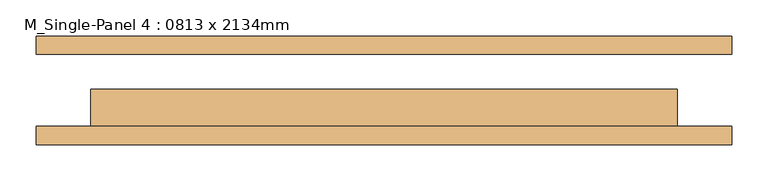
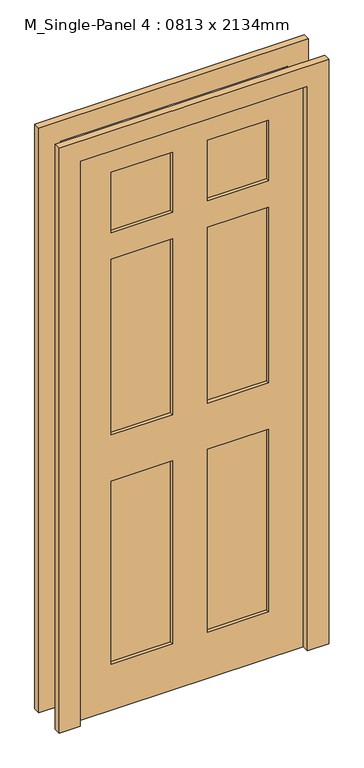
"""IFC4 building model written with IfcOpenShell, lengths in millimetres: door geometry, M_Single-Panel 4 : 0813 x 2134mm."""

from ifc_helpers import new_model, si_unit, frame, origin, place, context, project, spatial, polyline, outline, extrude, source, transform, mapped, element, save


def m_single_panel_4_0813_x_2134mm_3a1f8fd8(model_context):
    return source(origin(), model_context, "Body", "SweptSolid", [
        extrude(outline(polyline([(0.0, -482.5), (0.0, -406.5), (2134.0, -406.5), (2134.0, 406.5), (0.0, 406.5), (0.0, 482.5), (2210.0, 482.5), (2210.0, -482.5), (0.0, -482.5)])), frame((0.0, 50.0, 0.0), z_axis=(0.0, 1.0, 0.0), x_axis=(0.0, 0.0, 1.0)), (0.0, 0.0, 1.0), 25.0),
        extrude(outline(polyline([(0.0, 482.5), (2210.0, 482.5), (2210.0, -482.5), (0.0, -482.5), (0.0, -406.5), (2134.0, -406.5), (2134.0, 406.5), (0.0, 406.5), (0.0, 482.5)])), frame((0.0, -75.4, 0.0), z_axis=(0.0, 1.0, 0.0), x_axis=(0.0, 0.0, 1.0)), (0.0, 0.0, 1.0), 25.0),
        extrude(outline(polyline([(-62.5, -11.7), (-62.5, -37.3), (-281.5, -37.3), (-281.5, -11.7), (-62.5, -11.7)])), frame((0.0, 0.0, 1805.4), z_axis=(0.0, 0.0, 1.0), x_axis=(1.0, 0.0, 0.0)), (0.0, 0.0, 1.0), 228.6),
        extrude(outline(polyline([(281.5, -11.7), (281.5, -37.3), (62.5, -37.3), (62.5, -11.7), (281.5, -11.7)])), frame((0.0, 0.0, 1805.4), z_axis=(0.0, 0.0, 1.0), x_axis=(1.0, 0.0, 0.0)), (0.0, 0.0, 1.0), 228.6),
        extrude(outline(polyline([(-62.5, -11.7), (-62.5, -37.3), (-281.5, -37.3), (-281.5, -11.7), (-62.5, -11.7)])), frame((0.0, 0.0, 1041.4), z_axis=(0.0, 0.0, 1.0), x_axis=(1.0, 0.0, 0.0)), (0.0, 0.0, 1.0), 664.0),
        extrude(outline(polyline([(281.5, -11.7), (281.5, -37.3), (62.5, -37.3), (62.5, -11.7), (281.5, -11.7)])), frame((0.0, 0.0, 1041.4), z_axis=(0.0, 0.0, 1.0), x_axis=(1.0, 0.0, 0.0)), (0.0, 0.0, 1.0), 664.0),
        extrude(outline(polyline([(-62.5, -11.7), (-62.5, -37.3), (-281.5, -37.3), (-281.5, -11.7), (-62.5, -11.7)])), frame((0.0, 0.0, 175.0), z_axis=(0.0, 0.0, 1.0), x_axis=(1.0, 0.0, 0.0)), (0.0, 0.0, 1.0), 691.4),
        extrude(outline(polyline([(281.5, -11.7), (281.5, -37.3), (62.5, -37.3), (62.5, -11.7), (281.5, -11.7)])), frame((0.0, 0.0, 175.0), z_axis=(0.0, 0.0, 1.0), x_axis=(1.0, 0.0, 0.0)), (0.0, 0.0, 1.0), 691.4),
        extrude(outline(polyline([(2134.0, 406.5), (2134.0, -406.5), (0.0, -406.5), (0.0, 406.5), (2134.0, 406.5)]), holes=[polyline([(2034.0, -62.5), (1805.4, -62.5), (1805.4, -281.5), (2034.0, -281.5), (2034.0, -62.5)]), polyline([(2034.0, 281.5), (1805.4, 281.5), (1805.4, 62.5), (2034.0, 62.5), (2034.0, 281.5)]), polyline([(1705.4, -62.5), (1041.4, -62.5), (1041.4, -281.5), (1705.4, -281.5), (1705.4, -62.5)]), polyline([(1705.4, 281.5), (1041.4, 281.5), (1041.4, 62.5), (1705.4, 62.5), (1705.4, 281.5)]), polyline([(866.4, -62.5), (175.0, -62.5), (175.0, -281.5), (866.4, -281.5), (866.4, -62.5)]), polyline([(866.4, 281.5), (175.0, 281.5), (175.0, 62.5), (866.4, 62.5), (866.4, 281.5)])]), frame((0.0, -50.0, 0.0), z_axis=(0.0, 1.0, 0.0), x_axis=(0.0, 0.0, 1.0)), (0.0, 0.0, 1.0), 51.0),
    ])


if __name__ == "__main__":
    model = new_model("IFC4")
    model_context = context("Model", 3, world=origin())
    ifc_project = project(units=[si_unit("LENGTHUNIT", "METRE", prefix="MILLI")], contexts=[model_context])
    site = spatial("IfcSite", under=ifc_project)
    building = spatial("IfcBuilding", under=site)
    placement = place(None, origin())
    m_single_panel_4_0813_x_2134mm_shape = m_single_panel_4_0813_x_2134mm_3a1f8fd8(model_context)
    element("IfcDoor", 1, ObjectType="M_Single-Panel 4 : 0813 x 2134mm", at=placement, inside=building, context=model_context, shape_type="MappedRepresentation", body=[
        mapped(m_single_panel_4_0813_x_2134mm_shape, transform((0.0, 0.0, 0.0), x_axis=(1.0, 0.0, 0.0), y_axis=(0.0, 1.0, 0.0), z_axis=(0.0, 0.0, 1.0))),
    ])
    save(model, "model.ifc")
